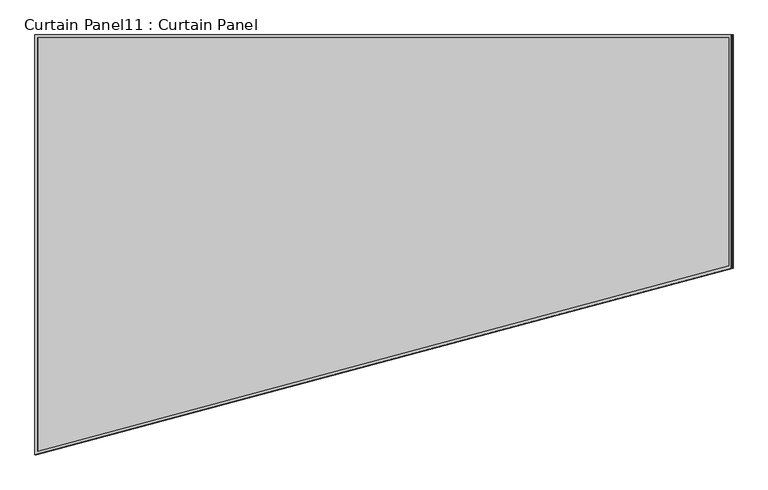
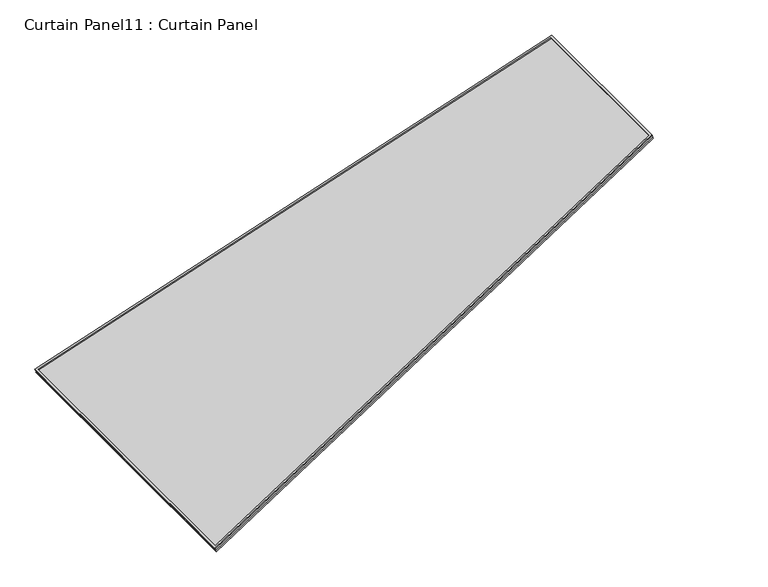
"""IFC4 building model written with IfcOpenShell, lengths in millimetres: plate geometry, Curtain Panel11 : Curtain Panel."""

from ifc_helpers import new_model, si_unit, frame, origin, place, context, project, spatial, polyline, outline, extrude, source, transform, mapped, element, save


def curtain_panel11_curtain_panel_40eb7650(model_context):
    return source(origin(), model_context, "Body", "SweptSolid", [
        extrude(outline(polyline([(1625.9060241, -2842.2889641), (722.5275942, -2842.2889641), (0.0, 0.0), (1625.9060241, 0.0), (1625.9060241, -2842.2889641)]), holes=[polyline([(1614.7935241, -11.1125001), (14.2907959, -11.1125001), (731.1686564, -2831.176464), (1614.7935241, -2831.176464), (1614.7935241, -11.1125001)])]), frame((2907.1251887, -1162.3515051, -9.2036834), z_axis=(-0.3161458239738099, 0.0, 0.9487106081329126), x_axis=(0.0, 1.0, 0.0)), (0.0, 0.0, 1.0), 4.8916363),
        extrude(outline(polyline([(1625.9060241, -2842.2889641), (722.5275942, -2842.2889641), (0.0, 0.0), (1625.9060241, 0.0), (1625.9060241, -2842.2889641)]), holes=[polyline([(1614.7969297, -11.1090945), (14.2864163, -11.1090945), (731.1660083, -2831.1798695), (1614.7969297, -2831.1798695), (1614.7969297, -11.1090945)])]), frame((2912.681878, -1162.3515051, -25.878552), z_axis=(-0.3161458239737984, 0.0, 0.9487106081329164), x_axis=(0.0, 1.0, 0.0)), (0.0, 0.0, 1.0), 4.8061278),
        extrude(outline(polyline([(25.6892884, 0.0), (1640.4828125, 0.0), (1640.4828125, -2842.288964), (748.2168826, -2842.288964), (25.6892884, 0.0)])), frame((2911.1624408, -1188.0407935, -21.3189276), z_axis=(-0.3161458239738053, 0.0, 0.9487106081329142), x_axis=(0.0, 1.0, 0.0)), (0.0, 0.0, 1.0), 12.7702211),
    ])


if __name__ == "__main__":
    model = new_model("IFC4")
    model_context = context("Model", 3, world=origin())
    ifc_project = project(units=[si_unit("LENGTHUNIT", "METRE", prefix="MILLI")], contexts=[model_context])
    site = spatial("IfcSite", under=ifc_project)
    building = spatial("IfcBuilding", under=site)
    placement = place(None, origin())
    curtain_panel11_curtain_panel_shape = curtain_panel11_curtain_panel_40eb7650(model_context)
    element("IfcPlate", 1, ObjectType="Curtain Panel11 : Curtain Panel", at=placement, inside=building, context=model_context, shape_type="MappedRepresentation", body=[
        mapped(curtain_panel11_curtain_panel_shape, transform((0.0, 0.0, 0.0), x_axis=(1.0, 0.0, 0.0), y_axis=(0.0, 1.0, 0.0), z_axis=(0.0, 0.0, 1.0))),
    ])
    save(model, "model.ifc")
